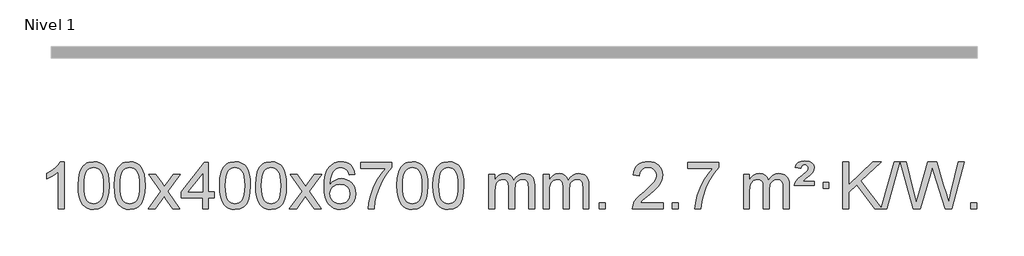
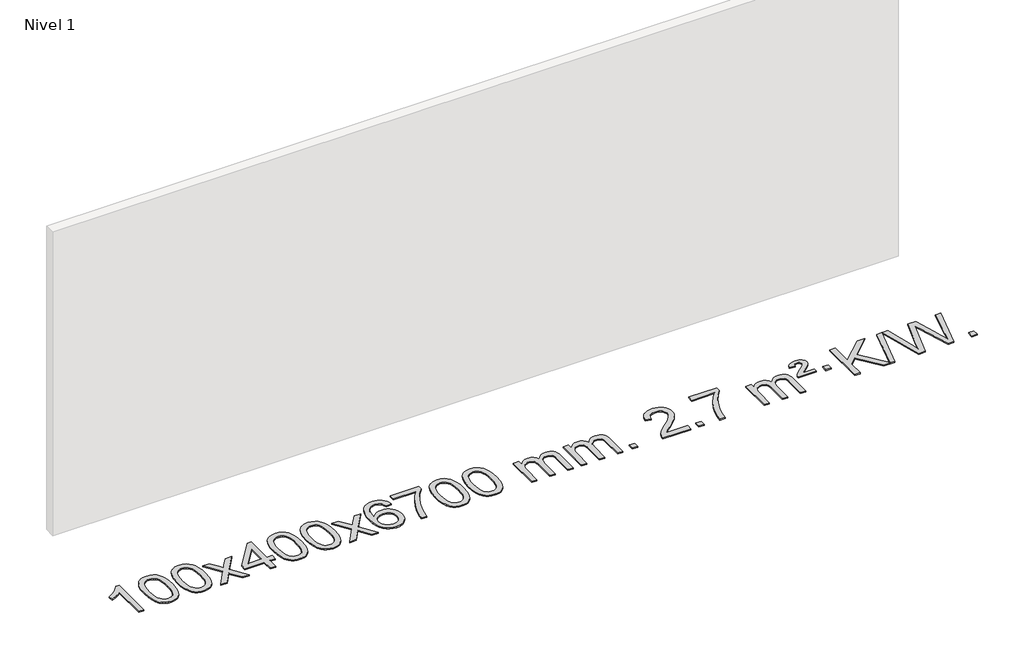
# One storey, part 2 of 25: 1 proxy.
"""IFC4 building model written with IfcOpenShell, lengths in millimetres."""

from ifc_helpers import new_model, si_unit, origin, origin_with_axes, place, context, project, spatial, polyline, outline, extrude, element, save

model = new_model("IFC4")

# Units and contexts
model_context = context("Model", 3, world=origin())
ifc_project = project(units=[si_unit("LENGTHUNIT", "METRE", prefix="MILLI")], contexts=[model_context])

# Site, building, storey
site = spatial("IfcSite", under=ifc_project)
building = spatial("IfcBuilding", under=site)
storey = spatial("IfcBuildingStorey", under=building, Name="Nivel 1", Elevation=0.0)

# Proxy
placement = place(None, origin())
element("IfcBuildingElementProxy", 1, Name="Texto de modelo 1", ObjectType="Texto de modelo 1", at=placement, inside=storey, context=model_context, shape_type="SweptSolid", body=[
    extrude(outline(polyline([(-12921.6378538, -21530.579453), (-12971.8660089, -21530.579453), (-12971.8660089, -21217.4382987), (-12992.8352826, -21234.3976587), (-13019.4454136, -21251.3324932), (-13072.3223191, -21276.6918254), (-13072.3223191, -21229.2105225), (-13032.8731065, -21207.7507395), (-12998.6968691, -21182.219729), (-12971.7556443, -21155.0700378), (-12954.0114694, -21128.7542124), (-12921.6378538, -21128.7542124), (-12921.6378538, -21530.579453)])), origin_with_axes(), (0.0, 0.0, 1.0), 10.0),
    extrude(outline(polyline([(-12802.3459855, -21332.9041943), (-12798.6549029, -21268.5861588), (-12787.5816548, -21217.2911459), (-12769.236606, -21178.2343407), (-12757.378543, -21163.0009605), (-12743.730121, -21150.6309284), (-12728.2453547, -21141.0598651), (-12710.8782588, -21134.2233914), (-12670.4970785, -21128.7542124), (-12639.5459399, -21131.991574), (-12611.832163, -21141.7036586), (-12588.6555973, -21157.5103217), (-12571.3160926, -21179.0314184), (-12558.2194935, -21206.0830078), (-12547.7716449, -21238.4811488), (-12540.9290398, -21279.6226186), (-12538.6481714, -21332.9041943), (-12542.3024659, -21396.8543477), (-12553.2653493, -21448.0267333), (-12571.5000336, -21487.1203266), (-12583.3305054, -21502.3996922), (-12596.9697304, -21514.8341036), (-12612.4728908, -21524.4695462), (-12629.8951689, -21531.3520052), (-12670.4970785, -21536.8579724), (-12698.1618045, -21534.4667394), (-12722.6872709, -21527.2930405), (-12744.0734775, -21515.3368757), (-12762.3204245, -21498.5982449), (-12779.8316074, -21468.3399508), (-12792.3395953, -21430.6381776), (-12799.844388, -21385.4929255), (-12802.3459855, -21332.9041943)]), holes=[polyline([(-12752.1178305, -21332.8060924), (-12750.6463025, -21376.4706195), (-12746.2317185, -21411.8148822), (-12738.8740786, -21438.8388804), (-12728.5733828, -21457.5426142), (-12716.1144459, -21470.2682656), (-12702.2820829, -21479.3580165), (-12687.0762937, -21484.8118671), (-12670.4970785, -21486.6298173), (-12653.9178632, -21484.8057357), (-12638.7120741, -21479.3334911), (-12624.8797111, -21470.2130833), (-12612.4207742, -21457.4445124), (-12602.1200783, -21438.7101217), (-12594.7624384, -21411.6922549), (-12590.3478545, -21376.3909118), (-12588.8763265, -21332.8060924), (-12590.2988035, -21290.2973278), (-12594.5662347, -21255.5753989), (-12601.6786199, -21228.6403055), (-12611.6359592, -21209.4920476), (-12623.8864297, -21196.1440625), (-12637.8782082, -21186.6097875), (-12653.6112949, -21180.8892225), (-12671.0856897, -21178.9823675), (-12687.5790658, -21180.6623619), (-12702.5273375, -21185.7023452), (-12715.9305049, -21194.1023175), (-12727.7885679, -21205.8622786), (-12738.4326203, -21226.708925), (-12746.0355148, -21254.8151094), (-12750.5972516, -21290.1808319), (-12752.1178305, -21332.8060924)])]), origin_with_axes(), (0.0, 0.0, 1.0), 10.0),
    extrude(outline(polyline([(-12494.6985357, -21332.9041943), (-12491.007453, -21268.5861588), (-12479.934205, -21217.2911459), (-12461.5891561, -21178.2343407), (-12449.7310932, -21163.0009605), (-12436.0826711, -21150.6309284), (-12420.5979048, -21141.0598651), (-12403.230809, -21134.2233914), (-12362.8496286, -21128.7542124), (-12331.8984901, -21131.991574), (-12304.1847131, -21141.7036586), (-12281.0081474, -21157.5103217), (-12263.6686427, -21179.0314184), (-12250.5720437, -21206.0830078), (-12240.1241951, -21238.4811488), (-12233.2815899, -21279.6226186), (-12231.0007216, -21332.9041943), (-12234.6550161, -21396.8543477), (-12245.6178995, -21448.0267333), (-12263.8525837, -21487.1203266), (-12275.6830556, -21502.3996922), (-12289.3222805, -21514.8341036), (-12304.825441, -21524.4695462), (-12322.2477191, -21531.3520052), (-12362.8496286, -21536.8579724), (-12390.5143547, -21534.4667394), (-12415.039821, -21527.2930405), (-12436.4260277, -21515.3368757), (-12454.6729746, -21498.5982449), (-12472.1841576, -21468.3399508), (-12484.6921454, -21430.6381776), (-12492.1969381, -21385.4929255), (-12494.6985357, -21332.9041943)]), holes=[polyline([(-12444.4703806, -21332.8060924), (-12442.9988527, -21376.4706195), (-12438.5842687, -21411.8148822), (-12431.2266288, -21438.8388804), (-12420.9259329, -21457.5426142), (-12408.466996, -21470.2682656), (-12394.634633, -21479.3580165), (-12379.4288439, -21484.8118671), (-12362.8496286, -21486.6298173), (-12346.2704134, -21484.8057357), (-12331.0646243, -21479.3334911), (-12317.2322612, -21470.2130833), (-12304.7733243, -21457.4445124), (-12294.4726285, -21438.7101217), (-12287.1149886, -21411.6922549), (-12282.7004046, -21376.3909118), (-12281.2288766, -21332.8060924), (-12282.6513537, -21290.2973278), (-12286.9187848, -21255.5753989), (-12294.0311701, -21228.6403055), (-12303.9885094, -21209.4920476), (-12316.2389799, -21196.1440625), (-12330.2307584, -21186.6097875), (-12345.9638451, -21180.8892225), (-12363.4382398, -21178.9823675), (-12379.931616, -21180.6623619), (-12394.8798877, -21185.7023452), (-12408.283055, -21194.1023175), (-12420.141118, -21205.8622786), (-12430.7851704, -21226.708925), (-12438.388065, -21254.8151094), (-12442.9498017, -21290.1808319), (-12444.4703806, -21332.8060924)])]), origin_with_axes(), (0.0, 0.0, 1.0), 10.0),
    extrude(outline(polyline([(-12205.886644, -21530.579453), (-12098.5632033, -21382.1513307), (-12199.6081246, -21235.4890419), (-12139.3735793, -21235.4890419), (-12090.6169522, -21306.2204869), (-12067.7592176, -21339.4770192), (-12047.9426408, -21312.2047007), (-11992.416985, -21235.4890419), (-11931.9862359, -21235.4890419), (-12038.1324542, -21382.2494325), (-11935.9103105, -21530.579453), (-11996.2429577, -21530.579453), (-12057.8509292, -21441.3067555), (-12069.0345418, -21424.923744), (-12145.455895, -21530.579453), (-12205.886644, -21530.579453)])), origin_with_axes(), (0.0, 0.0, 1.0), 10.0),
    extrude(outline(polyline([(-11741.2762096, -21530.579453), (-11741.2762096, -21436.4016622), (-11923.3532717, -21436.4016622), (-11923.3532717, -21386.1735072), (-11728.7191708, -21135.0327318), (-11691.0480545, -21135.0327318), (-11691.0480545, -21386.1735072), (-11640.8198994, -21386.1735072), (-11640.8198994, -21436.4016622), (-11691.0480545, -21436.4016622), (-11691.0480545, -21530.579453), (-11741.2762096, -21530.579453)]), holes=[polyline([(-11741.2762096, -21386.1735072), (-11741.2762096, -21230.9763561), (-11861.5490965, -21386.1735072), (-11741.2762096, -21386.1735072)])]), origin_with_axes(), (0.0, 0.0, 1.0), 10.0),
    extrude(outline(polyline([(-11596.8702638, -21332.9041943), (-11593.1791811, -21268.5861588), (-11582.105933, -21217.2911459), (-11563.7608842, -21178.2343407), (-11551.9028212, -21163.0009605), (-11538.2543992, -21150.6309284), (-11522.7696329, -21141.0598651), (-11505.402537, -21134.2233914), (-11465.0213567, -21128.7542124), (-11434.0702182, -21131.991574), (-11406.3564412, -21141.7036586), (-11383.1798755, -21157.5103217), (-11365.8403708, -21179.0314184), (-11352.7437718, -21206.0830078), (-11342.2959231, -21238.4811488), (-11335.453318, -21279.6226186), (-11333.1724496, -21332.9041943), (-11336.8267441, -21396.8543477), (-11347.7896275, -21448.0267333), (-11366.0243118, -21487.1203266), (-11377.8547836, -21502.3996922), (-11391.4940086, -21514.8341036), (-11406.997169, -21524.4695462), (-11424.4194471, -21531.3520052), (-11465.0213567, -21536.8579724), (-11492.6860827, -21534.4667394), (-11517.2115491, -21527.2930405), (-11538.5977557, -21515.3368757), (-11556.8447027, -21498.5982449), (-11574.3558856, -21468.3399508), (-11586.8638735, -21430.6381776), (-11594.3686662, -21385.4929255), (-11596.8702638, -21332.9041943)]), holes=[polyline([(-11546.6421087, -21332.8060924), (-11545.1705807, -21376.4706195), (-11540.7559968, -21411.8148822), (-11533.3983568, -21438.8388804), (-11523.097661, -21457.5426142), (-11510.6387241, -21470.2682656), (-11496.8063611, -21479.3580165), (-11481.6005719, -21484.8118671), (-11465.0213567, -21486.6298173), (-11448.4421414, -21484.8057357), (-11433.2363523, -21479.3334911), (-11419.4039893, -21470.2130833), (-11406.9450524, -21457.4445124), (-11396.6443565, -21438.7101217), (-11389.2867166, -21411.6922549), (-11384.8721327, -21376.3909118), (-11383.4006047, -21332.8060924), (-11384.8230817, -21290.2973278), (-11389.0905129, -21255.5753989), (-11396.2028981, -21228.6403055), (-11406.1602375, -21209.4920476), (-11418.4107079, -21196.1440625), (-11432.4024864, -21186.6097875), (-11448.1355731, -21180.8892225), (-11465.6099679, -21178.9823675), (-11482.103344, -21180.6623619), (-11497.0516157, -21185.7023452), (-11510.4547831, -21194.1023175), (-11522.3128461, -21205.8622786), (-11532.9568985, -21226.708925), (-11540.559793, -21254.8151094), (-11545.1215298, -21290.1808319), (-11546.6421087, -21332.8060924)])]), origin_with_axes(), (0.0, 0.0, 1.0), 10.0),
    extrude(outline(polyline([(-11289.2228139, -21332.9041943), (-11285.5317312, -21268.5861588), (-11274.4584832, -21217.2911459), (-11256.1134344, -21178.2343407), (-11244.2553714, -21163.0009605), (-11230.6069494, -21150.6309284), (-11215.122183, -21141.0598651), (-11197.7550872, -21134.2233914), (-11157.3739068, -21128.7542124), (-11126.4227683, -21131.991574), (-11098.7089913, -21141.7036586), (-11075.5324257, -21157.5103217), (-11058.1929209, -21179.0314184), (-11045.0963219, -21206.0830078), (-11034.6484733, -21238.4811488), (-11027.8058681, -21279.6226186), (-11025.5249998, -21332.9041943), (-11029.1792943, -21396.8543477), (-11040.1421777, -21448.0267333), (-11058.3768619, -21487.1203266), (-11070.2073338, -21502.3996922), (-11083.8465587, -21514.8341036), (-11099.3497192, -21524.4695462), (-11116.7719973, -21531.3520052), (-11157.3739068, -21536.8579724), (-11185.0386329, -21534.4667394), (-11209.5640992, -21527.2930405), (-11230.9503059, -21515.3368757), (-11249.1972528, -21498.5982449), (-11266.7084358, -21468.3399508), (-11279.2164236, -21430.6381776), (-11286.7212164, -21385.4929255), (-11289.2228139, -21332.9041943)]), holes=[polyline([(-11238.9946588, -21332.8060924), (-11237.5231309, -21376.4706195), (-11233.1085469, -21411.8148822), (-11225.750907, -21438.8388804), (-11215.4502112, -21457.5426142), (-11202.9912742, -21470.2682656), (-11189.1589112, -21479.3580165), (-11173.9531221, -21484.8118671), (-11157.3739068, -21486.6298173), (-11140.7946916, -21484.8057357), (-11125.5889025, -21479.3334911), (-11111.7565394, -21470.2130833), (-11099.2976025, -21457.4445124), (-11088.9969067, -21438.7101217), (-11081.6392668, -21411.6922549), (-11077.2246828, -21376.3909118), (-11075.7531548, -21332.8060924), (-11077.1756319, -21290.2973278), (-11081.443063, -21255.5753989), (-11088.5554483, -21228.6403055), (-11098.5127876, -21209.4920476), (-11110.7632581, -21196.1440625), (-11124.7550366, -21186.6097875), (-11140.4881233, -21180.8892225), (-11157.962518, -21178.9823675), (-11174.4558942, -21180.6623619), (-11189.4041659, -21185.7023452), (-11202.8073333, -21194.1023175), (-11214.6653962, -21205.8622786), (-11225.3094486, -21226.708925), (-11232.9123432, -21254.8151094), (-11237.4740799, -21290.1808319), (-11238.9946588, -21332.8060924)])]), origin_with_axes(), (0.0, 0.0, 1.0), 10.0),
    extrude(outline(polyline([(-11000.4109222, -21530.579453), (-10893.0874815, -21382.1513307), (-10994.1324029, -21235.4890419), (-10933.8978575, -21235.4890419), (-10885.1412304, -21306.2204869), (-10862.2834958, -21339.4770192), (-10842.466919, -21312.2047007), (-10786.9412632, -21235.4890419), (-10726.5105141, -21235.4890419), (-10832.6567324, -21382.2494325), (-10730.4345887, -21530.579453), (-10790.7672359, -21530.579453), (-10852.3752074, -21441.3067555), (-10863.55882, -21424.923744), (-10939.9801732, -21530.579453), (-11000.4109222, -21530.579453)])), origin_with_axes(), (0.0, 0.0, 1.0), 10.0),
    extrude(outline(polyline([(-10441.622697, -21235.4890419), (-10491.8508521, -21241.7675613), (-10499.944256, -21216.874213), (-10510.882614, -21199.8780648), (-10533.6667722, -21184.2062918), (-10561.2088709, -21178.9823675), (-10584.5571149, -21182.0235253), (-10606.5319327, -21191.1469988), (-10625.4042791, -21210.3627017), (-10640.8185347, -21236.8134171), (-10651.2295951, -21274.227016), (-10655.0923561, -21326.3313693), (-10634.9446855, -21302.8237098), (-10610.7993639, -21286.2567573), (-10584.0052919, -21276.434308), (-10555.9113702, -21273.1601582), (-10531.7783113, -21275.398107), (-10509.5091879, -21282.1119534), (-10489.1039999, -21293.3016975), (-10470.5627473, -21308.9673391), (-10455.1546231, -21328.1769106), (-10444.1488201, -21349.9984443), (-10437.5453383, -21374.4319401), (-10435.3441776, -21401.4773982), (-10439.4889815, -21437.4439945), (-10451.9233929, -21470.786366), (-10471.6173424, -21499.0642287), (-10497.5407603, -21519.8372987), (-10528.5164243, -21532.602804), (-10563.367112, -21536.8579724), (-10593.3096407, -21534.0375437), (-10620.352033, -21525.5762579), (-10644.494289, -21511.4741147), (-10665.7364085, -21491.7311143), (-10683.0544534, -21465.5133908), (-10695.4244855, -21431.9870783), (-10702.8465048, -21391.1521768), (-10705.3205112, -21343.0086864), (-10702.5736589, -21289.0342663), (-10694.3331023, -21242.9693092), (-10680.5988411, -21204.8138149), (-10661.3708755, -21174.5677835), (-10640.5303605, -21154.5243462), (-10616.3666447, -21140.2076052), (-10588.8797283, -21131.6175606), (-10558.0696112, -21128.7542124), (-10534.9359651, -21130.5261773), (-10513.9973482, -21135.8420722), (-10495.2537606, -21144.7018969), (-10478.7052021, -21157.1056515), (-10464.7992627, -21172.6364031), (-10453.9835321, -21190.8772186), (-10446.2580102, -21211.8280983), (-10441.622697, -21235.4890419)]), holes=[polyline([(-10655.0923561, -21400.6925832), (-10652.1860883, -21422.9494439), (-10643.4672851, -21444.2007605), (-10629.9292276, -21462.472233), (-10612.5651975, -21475.7895612), (-10591.6081865, -21483.9197533), (-10567.2911866, -21486.6298173), (-10534.1450188, -21481.0134855), (-10520.2298823, -21473.9930708), (-10508.0867108, -21464.1644901), (-10498.2366704, -21451.9262824), (-10491.2009272, -21437.6769865), (-10485.5723327, -21403.1451299), (-10491.1273508, -21369.9989621), (-10498.0711235, -21356.3781312), (-10507.7924052, -21344.725469), (-10519.972365, -21335.3904634), (-10534.2921716, -21328.7226022), (-10569.3513258, -21323.3883133), (-10602.4484426, -21328.7226022), (-10630.1254314, -21344.725469), (-10641.0484609, -21356.2248471), (-10648.8506249, -21369.3858254), (-10653.5319233, -21384.2084042), (-10655.0923561, -21400.6925832)])]), origin_with_axes(), (0.0, 0.0, 1.0), 10.0),
    extrude(outline(polyline([(-10391.394542, -21185.2608869), (-10391.394542, -21135.0327318), (-10127.6967278, -21135.0327318), (-10127.6967278, -21175.646904), (-10165.282005, -21223.214046), (-10202.4994002, -21283.7061088), (-10235.3267369, -21351.6048623), (-10259.7418386, -21421.3920768), (-10271.7102662, -21473.6067947), (-10278.381193, -21530.579453), (-10328.6093481, -21530.579453), (-10323.1769573, -21478.8061935), (-10308.6456185, -21417.2717985), (-10285.4077391, -21352.0463207), (-10253.8557267, -21289.1998132), (-10217.0184762, -21232.3865704), (-10177.9248829, -21185.2608869), (-10391.394542, -21185.2608869)])), origin_with_axes(), (0.0, 0.0, 1.0), 10.0),
    extrude(outline(polyline([(-10083.7470921, -21332.9041943), (-10080.0560094, -21268.5861588), (-10068.9827614, -21217.2911459), (-10050.6377126, -21178.2343407), (-10038.7796496, -21163.0009605), (-10025.1312276, -21150.6309284), (-10009.6464612, -21141.0598651), (-9992.2793654, -21134.2233914), (-9951.8981851, -21128.7542124), (-9920.9470465, -21131.991574), (-9893.2332696, -21141.7036586), (-9870.0567039, -21157.5103217), (-9852.7171992, -21179.0314184), (-9839.6206001, -21206.0830078), (-9829.1727515, -21238.4811488), (-9822.3301463, -21279.6226186), (-9820.049278, -21332.9041943), (-9823.7035725, -21396.8543477), (-9834.6664559, -21448.0267333), (-9852.9011401, -21487.1203266), (-9864.731612, -21502.3996922), (-9878.3708369, -21514.8341036), (-9893.8739974, -21524.4695462), (-9911.2962755, -21531.3520052), (-9951.8981851, -21536.8579724), (-9979.5629111, -21534.4667394), (-10004.0883774, -21527.2930405), (-10025.4745841, -21515.3368757), (-10043.721531, -21498.5982449), (-10061.232714, -21468.3399508), (-10073.7407019, -21430.6381776), (-10081.2454946, -21385.4929255), (-10083.7470921, -21332.9041943)]), holes=[polyline([(-10033.518937, -21332.8060924), (-10032.0474091, -21376.4706195), (-10027.6328251, -21411.8148822), (-10020.2751852, -21438.8388804), (-10009.9744894, -21457.5426142), (-9997.5155525, -21470.2682656), (-9983.6831894, -21479.3580165), (-9968.4774003, -21484.8118671), (-9951.8981851, -21486.6298173), (-9935.3189698, -21484.8057357), (-9920.1131807, -21479.3334911), (-9906.2808176, -21470.2130833), (-9893.8218807, -21457.4445124), (-9883.5211849, -21438.7101217), (-9876.163545, -21411.6922549), (-9871.748961, -21376.3909118), (-9870.2774331, -21332.8060924), (-9871.6999101, -21290.2973278), (-9875.9673412, -21255.5753989), (-9883.0797265, -21228.6403055), (-9893.0370658, -21209.4920476), (-9905.2875363, -21196.1440625), (-9919.2793148, -21186.6097875), (-9935.0124015, -21180.8892225), (-9952.4867962, -21178.9823675), (-9968.9801724, -21180.6623619), (-9983.9284441, -21185.7023452), (-9997.3316115, -21194.1023175), (-10009.1896744, -21205.8622786), (-10019.8337268, -21226.708925), (-10027.4366214, -21254.8151094), (-10031.9983581, -21290.1808319), (-10033.518937, -21332.8060924)])]), origin_with_axes(), (0.0, 0.0, 1.0), 10.0),
    extrude(outline(polyline([(-9776.0996423, -21332.9041943), (-9772.4085596, -21268.5861588), (-9761.3353115, -21217.2911459), (-9742.9902627, -21178.2343407), (-9731.1321997, -21163.0009605), (-9717.4837777, -21150.6309284), (-9701.9990114, -21141.0598651), (-9684.6319156, -21134.2233914), (-9644.2507352, -21128.7542124), (-9613.2995967, -21131.991574), (-9585.5858197, -21141.7036586), (-9562.409254, -21157.5103217), (-9545.0697493, -21179.0314184), (-9531.9731503, -21206.0830078), (-9521.5253016, -21238.4811488), (-9514.6826965, -21279.6226186), (-9512.4018281, -21332.9041943), (-9516.0561226, -21396.8543477), (-9527.0190061, -21448.0267333), (-9545.2536903, -21487.1203266), (-9557.0841621, -21502.3996922), (-9570.7233871, -21514.8341036), (-9586.2265475, -21524.4695462), (-9603.6488257, -21531.3520052), (-9644.2507352, -21536.8579724), (-9671.9154613, -21534.4667394), (-9696.4409276, -21527.2930405), (-9717.8271343, -21515.3368757), (-9736.0740812, -21498.5982449), (-9753.5852642, -21468.3399508), (-9766.093252, -21430.6381776), (-9773.5980447, -21385.4929255), (-9776.0996423, -21332.9041943)]), holes=[polyline([(-9725.8714872, -21332.8060924), (-9724.3999592, -21376.4706195), (-9719.9853753, -21411.8148822), (-9712.6277354, -21438.8388804), (-9702.3270395, -21457.5426142), (-9689.8681026, -21470.2682656), (-9676.0357396, -21479.3580165), (-9660.8299505, -21484.8118671), (-9644.2507352, -21486.6298173), (-9627.67152, -21484.8057357), (-9612.4657308, -21479.3334911), (-9598.6333678, -21470.2130833), (-9586.1744309, -21457.4445124), (-9575.873735, -21438.7101217), (-9568.5160951, -21411.6922549), (-9564.1015112, -21376.3909118), (-9562.6299832, -21332.8060924), (-9564.0524603, -21290.2973278), (-9568.3198914, -21255.5753989), (-9575.4322767, -21228.6403055), (-9585.389616, -21209.4920476), (-9597.6400864, -21196.1440625), (-9611.631865, -21186.6097875), (-9627.3649516, -21180.8892225), (-9644.8393464, -21178.9823675), (-9661.3327225, -21180.6623619), (-9676.2809943, -21185.7023452), (-9689.6841616, -21194.1023175), (-9701.5422246, -21205.8622786), (-9712.186277, -21226.708925), (-9719.7891716, -21254.8151094), (-9724.3509083, -21290.1808319), (-9725.8714872, -21332.8060924)])]), origin_with_axes(), (0.0, 0.0, 1.0), 10.0),
    extrude(outline(polyline([(-9298.9321691, -21530.579453), (-9298.9321691, -21235.4890419), (-9248.704014, -21235.4890419), (-9248.704014, -21284.0494653), (-9233.5963267, -21261.7435537), (-9214.1721574, -21244.2691589), (-9191.0936936, -21232.9751816), (-9165.0231228, -21229.2105225), (-9137.0886167, -21233.048758), (-9114.6968659, -21244.5634645), (-9097.9704978, -21262.9943524), (-9087.0321399, -21287.5811324), (-9068.7238792, -21262.0439906), (-9047.8404446, -21243.803175), (-9024.3818361, -21232.8586857), (-8998.3480536, -21229.2105225), (-8978.2402368, -21230.7280358), (-8960.5910981, -21235.2805755), (-8945.4006374, -21242.8681416), (-8932.6688547, -21253.4907342), (-8922.6042164, -21267.2709806), (-8915.4151891, -21284.3315082), (-8911.1017727, -21304.6723168), (-8909.6639672, -21328.2934066), (-8909.6639672, -21530.579453), (-8959.8921223, -21530.579453), (-8959.8921223, -21349.875817), (-8961.057082, -21324.8230531), (-8964.5519609, -21307.9372695), (-8971.1002604, -21296.3735121), (-8981.4254818, -21287.2868268), (-8994.7060218, -21281.4007149), (-9010.1202774, -21279.4386776), (-9037.3312823, -21284.4663982), (-9059.5145666, -21299.54956), (-9068.1199396, -21311.1194488), (-9074.2666346, -21325.7182326), (-9079.1839906, -21364.0024856), (-9079.1839906, -21530.579453), (-9129.4121457, -21530.579453), (-9129.4121457, -21344.2840106), (-9132.3184135, -21315.8835206), (-9141.0372167, -21295.6254854), (-9156.3778959, -21283.4853796), (-9179.1497914, -21279.4386776), (-9198.5003844, -21282.1364789), (-9216.3303984, -21290.2298828), (-9231.0456782, -21303.5226856), (-9241.0520685, -21321.8186835), (-9246.7910276, -21347.2025411), (-9248.704014, -21381.7589232), (-9248.704014, -21530.579453), (-9298.9321691, -21530.579453)])), origin_with_axes(), (0.0, 0.0, 1.0), 10.0),
    extrude(outline(polyline([(-8834.3217346, -21530.579453), (-8834.3217346, -21235.4890419), (-8784.0935796, -21235.4890419), (-8784.0935796, -21284.0494653), (-8768.9858923, -21261.7435537), (-8749.5617229, -21244.2691589), (-8726.4832591, -21232.9751816), (-8700.4126884, -21229.2105225), (-8672.4781822, -21233.048758), (-8650.0864315, -21244.5634645), (-8633.3600634, -21262.9943524), (-8622.4217054, -21287.5811324), (-8604.1134448, -21262.0439906), (-8583.2300102, -21243.803175), (-8559.7714016, -21232.8586857), (-8533.7376191, -21229.2105225), (-8513.6298024, -21230.7280358), (-8495.9806637, -21235.2805755), (-8480.790203, -21242.8681416), (-8468.0584202, -21253.4907342), (-8457.993782, -21267.2709806), (-8450.8047547, -21284.3315082), (-8446.4913383, -21304.6723168), (-8445.0535328, -21328.2934066), (-8445.0535328, -21530.579453), (-8495.2816879, -21530.579453), (-8495.2816879, -21349.875817), (-8496.4466475, -21324.8230531), (-8499.9415265, -21307.9372695), (-8506.489826, -21296.3735121), (-8516.8150473, -21287.2868268), (-8530.0955874, -21281.4007149), (-8545.509843, -21279.4386776), (-8572.7208479, -21284.4663982), (-8594.9041322, -21299.54956), (-8603.5095052, -21311.1194488), (-8609.6562002, -21325.7182326), (-8614.5735562, -21364.0024856), (-8614.5735562, -21530.579453), (-8664.8017113, -21530.579453), (-8664.8017113, -21344.2840106), (-8667.707979, -21315.8835206), (-8676.4267823, -21295.6254854), (-8691.7674615, -21283.4853796), (-8714.539357, -21279.4386776), (-8733.88995, -21282.1364789), (-8751.719964, -21290.2298828), (-8766.4352438, -21303.5226856), (-8776.4416341, -21321.8186835), (-8782.1805932, -21347.2025411), (-8784.0935796, -21381.7589232), (-8784.0935796, -21530.579453), (-8834.3217346, -21530.579453)])), origin_with_axes(), (0.0, 0.0, 1.0), 10.0),
    extrude(outline(polyline([(-8357.1542614, -21530.579453), (-8357.1542614, -21480.3512979), (-8306.9261064, -21480.3512979), (-8306.9261064, -21530.579453), (-8357.1542614, -21530.579453)])), origin_with_axes(), (0.0, 0.0, 1.0), 10.0),
    extrude(outline(polyline([(-7810.923075, -21480.3512979), (-7810.923075, -21530.579453), (-8074.6208891, -21530.579453), (-8073.5172431, -21512.8965918), (-8069.2252865, -21495.9494945), (-8056.8276633, -21468.8856424), (-8038.6665555, -21442.6311307), (-8012.4120437, -21415.1503456), (-7975.7342088, -21384.4076736), (-7921.5451909, -21336.2641831), (-7889.0612108, -21300.7267824), (-7872.8376148, -21271.884834), (-7867.4297494, -21243.8277005), (-7872.5433092, -21218.6768347), (-7887.8839884, -21197.7688747), (-7911.4652243, -21183.6789943), (-7941.3004541, -21178.9823675), (-7972.6317373, -21183.5686297), (-7996.9732627, -21197.3274163), (-8012.6818239, -21219.1796068), (-8018.1142147, -21248.0460807), (-8068.3423697, -21241.7675613), (-8064.022822, -21215.838012), (-8056.1654757, -21193.1826125), (-8044.7703309, -21173.8013627), (-8029.8373876, -21157.6942627), (-8011.7100023, -21145.0329907), (-7990.7315315, -21135.989225), (-7966.9019753, -21130.5629655), (-7940.2213336, -21128.7542124), (-7913.3015686, -21130.7653006), (-7889.3432536, -21136.7985654), (-7868.3463888, -21146.8540066), (-7850.3109739, -21160.9316242), (-7835.8256204, -21177.9890861), (-7825.4789393, -21196.9840598), (-7819.2709306, -21217.9165453), (-7817.2015944, -21240.7865427), (-7819.4334118, -21264.8092369), (-7826.1288641, -21288.4149983), (-7838.0114526, -21312.4254299), (-7855.8046784, -21337.6621347), (-7884.1683802, -21367.7916701), (-7927.7623967, -21406.4805933), (-7985.5443954, -21454.795762), (-8008.2059263, -21480.3512979), (-7810.923075, -21480.3512979)])), origin_with_axes(), (0.0, 0.0, 1.0), 10.0),
    extrude(outline(polyline([(-7735.5808424, -21530.579453), (-7735.5808424, -21480.3512979), (-7685.3526873, -21480.3512979), (-7685.3526873, -21530.579453), (-7735.5808424, -21530.579453)])), origin_with_axes(), (0.0, 0.0, 1.0), 10.0),
    extrude(outline(polyline([(-7603.7319353, -21185.2608869), (-7603.7319353, -21135.0327318), (-7340.0341212, -21135.0327318), (-7340.0341212, -21175.646904), (-7377.6193983, -21223.214046), (-7414.8367935, -21283.7061088), (-7447.6641302, -21351.6048623), (-7472.079232, -21421.3920768), (-7484.0476595, -21473.6067947), (-7490.7185864, -21530.579453), (-7540.9467415, -21530.579453), (-7535.5143507, -21478.8061935), (-7520.9830119, -21417.2717985), (-7497.7451325, -21352.0463207), (-7466.19312, -21289.1998132), (-7429.3558696, -21232.3865704), (-7390.2622762, -21185.2608869), (-7603.7319353, -21185.2608869)])), origin_with_axes(), (0.0, 0.0, 1.0), 10.0),
    extrude(outline(polyline([(-7126.5644621, -21530.579453), (-7126.5644621, -21235.4890419), (-7076.336307, -21235.4890419), (-7076.336307, -21284.0494653), (-7061.2286197, -21261.7435537), (-7041.8044504, -21244.2691589), (-7018.7259866, -21232.9751816), (-6992.6554158, -21229.2105225), (-6964.7209097, -21233.048758), (-6942.3291589, -21244.5634645), (-6925.6027909, -21262.9943524), (-6914.6644329, -21287.5811324), (-6896.3561722, -21262.0439906), (-6875.4727377, -21243.803175), (-6852.0141291, -21232.8586857), (-6825.9803466, -21229.2105225), (-6805.8725298, -21230.7280358), (-6788.2233911, -21235.2805755), (-6773.0329304, -21242.8681416), (-6760.3011477, -21253.4907342), (-6750.2365094, -21267.2709806), (-6743.0474821, -21284.3315082), (-6738.7340657, -21304.6723168), (-6737.2962603, -21328.2934066), (-6737.2962603, -21530.579453), (-6787.5244153, -21530.579453), (-6787.5244153, -21349.875817), (-6788.689375, -21324.8230531), (-6792.1842539, -21307.9372695), (-6798.7325535, -21296.3735121), (-6809.0577748, -21287.2868268), (-6822.3383148, -21281.4007149), (-6837.7525704, -21279.4386776), (-6864.9635753, -21284.4663982), (-6887.1468596, -21299.54956), (-6895.7522326, -21311.1194488), (-6901.8989276, -21325.7182326), (-6906.8162836, -21364.0024856), (-6906.8162836, -21530.579453), (-6957.0444387, -21530.579453), (-6957.0444387, -21344.2840106), (-6959.9507065, -21315.8835206), (-6968.6695098, -21295.6254854), (-6984.010189, -21283.4853796), (-7006.7820845, -21279.4386776), (-7026.1326774, -21282.1364789), (-7043.9626914, -21290.2298828), (-7058.6779713, -21303.5226856), (-7068.6843615, -21321.8186835), (-7074.4233206, -21347.2025411), (-7076.336307, -21381.7589232), (-7076.336307, -21530.579453), (-7126.5644621, -21530.579453)])), origin_with_axes(), (0.0, 0.0, 1.0), 10.0),
    extrude(outline(polyline([(-6693.3466246, -21329.6668327), (-6689.5206518, -21313.8479069), (-6681.1819933, -21297.9799302), (-6659.6731593, -21272.8413272), (-6627.7164766, -21245.1030247), (-6583.5706372, -21207.726214), (-6576.4337265, -21196.1992448), (-6574.0547563, -21184.3779701), (-6575.9432172, -21172.2869152), (-6581.6085999, -21162.5012541), (-6590.977328, -21156.026531), (-6603.9758252, -21153.8682899), (-6616.4102366, -21155.4869707), (-6625.26393, -21160.343013), (-6631.6896022, -21169.8098431), (-6636.8399501, -21185.2608869), (-6687.0681052, -21178.9823675), (-6676.2278491, -21153.7701881), (-6659.5995829, -21136.2099542), (-6635.834406, -21125.9092583), (-6603.5834178, -21122.475693), (-6567.8007624, -21126.6082341), (-6543.0545668, -21139.0058573), (-6528.6335926, -21157.3386434), (-6523.8266012, -21179.2766731), (-6527.9223541, -21202.1834586), (-6540.2096127, -21223.8149199), (-6560.737428, -21243.6314968), (-6597.2067965, -21271.6886303), (-6622.8113834, -21298.2742358), (-6523.8266012, -21298.2742358), (-6523.8266012, -21329.6668327), (-6693.3466246, -21329.6668327)])), origin_with_axes(), (0.0, 0.0, 1.0), 10.0),
    extrude(outline(polyline([(-6448.4843686, -21354.7809102), (-6448.4843686, -21304.5527552), (-6398.2562135, -21304.5527552), (-6398.2562135, -21354.7809102), (-6448.4843686, -21354.7809102)])), origin_with_axes(), (0.0, 0.0, 1.0), 10.0),
    extrude(outline(polyline([(-6007.6145856, -21530.579453), (-6161.1440049, -21327.9009991), (-6228.7361901, -21392.4520265), (-6228.7361901, -21530.579453), (-6278.9643452, -21530.579453), (-6278.9643452, -21128.7542124), (-6228.7361901, -21128.7542124), (-6228.7361901, -21325.4484525), (-6022.7222728, -21128.7542124), (-5952.4813372, -21128.7542124), (-6125.5330278, -21293.9577537), (-5950.7819943, -21524.5373449), (-5839.4679883, -21128.7542124), (-5793.9487228, -21128.7542124), (-5907.0601735, -21530.579453), (-5946.2028178, -21530.579453), (-5952.4813372, -21530.579453), (-6007.6145856, -21530.579453)])), origin_with_axes(), (0.0, 0.0, 1.0), 10.0),
    extrude(outline(polyline([(-5679.6600496, -21530.579453), (-5789.2398332, -21128.7542124), (-5737.4420483, -21128.7542124), (-5673.8720395, -21392.844434), (-5654.2516665, -21474.3670841), (-5633.2578673, -21402.2622131), (-5553.5991526, -21128.7542124), (-5478.943633, -21128.7542124), (-5421.0635325, -21327.0180823), (-5396.268286, -21400.5944814), (-5377.9968136, -21474.3670841), (-5358.9650517, -21395.1988788), (-5294.9045336, -21128.7542124), (-5243.0086468, -21128.7542124), (-5352.4903286, -21530.579453), (-5406.2501508, -21530.579453), (-5502.6842845, -21220.5775584), (-5516.12424, -21177.3146358), (-5531.2319273, -21229.4067263), (-5619.0330968, -21530.579453), (-5679.6600496, -21530.579453)])), origin_with_axes(), (0.0, 0.0, 1.0), 10.0),
    extrude(outline(polyline([(-5186.5019723, -21530.579453), (-5186.5019723, -21480.3512979), (-5136.2738173, -21480.3512979), (-5136.2738173, -21530.579453), (-5186.5019723, -21530.579453)])), origin_with_axes(), (0.0, 0.0, 1.0), 10.0),
])

save(model, "model.ifc")
